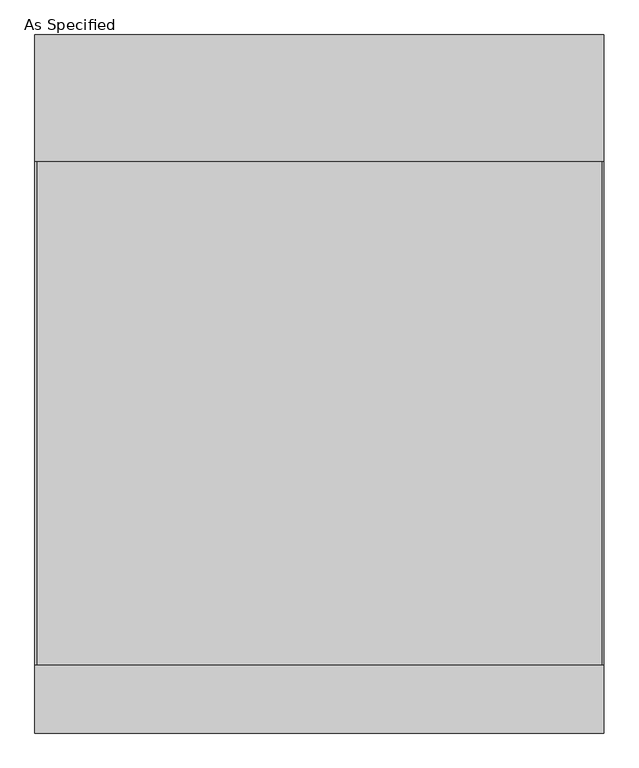
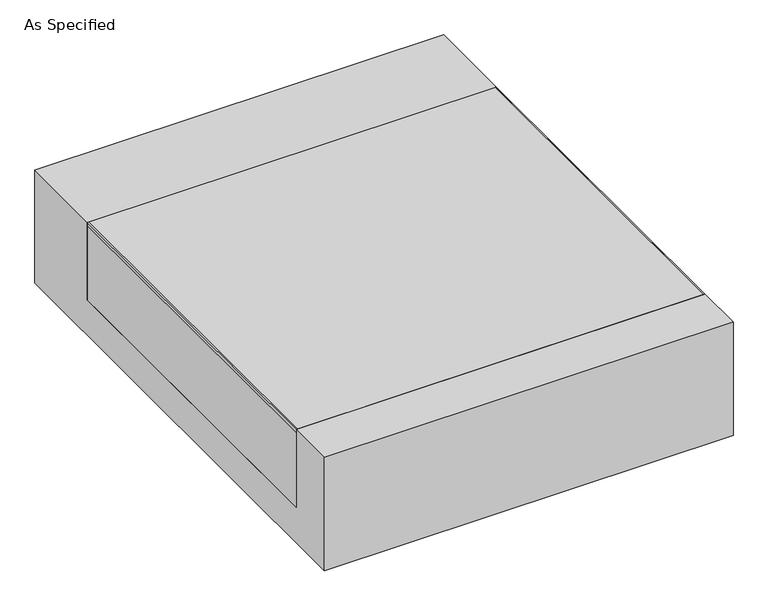
"""IFC4 building model written with IfcOpenShell, lengths in millimetres: proxy geometry, As Specified."""

from ifc_helpers import new_model, si_unit, point, frame, frame_2d, origin, place, context, project, spatial, polyline, circle_curve, trimmed, segment, composite_curve, outline, extrude, source, transform, mapped, element, save


def as_specified_cacf9c43(model_context):
    return source(origin(), model_context, "Body", "SweptSolid", [
        extrude(outline(composite_curve([segment(trimmed(circle_curve(frame_2d((542.0125, -1007.275)), 10.5), [point((542.0125, -1017.775))], [point((542.0125, -996.775))], False, "CARTESIAN"), True, "CONTINUOUS"), segment(trimmed(circle_curve(frame_2d((542.0125, -1007.275)), 10.5), [point((542.0125, -996.775))], [point((542.0125, -1017.775))], False, "CARTESIAN"), True, "CONTINUOUS")], self_intersect=False)), frame((0.0, 0.0, -562.225), z_axis=(0.0, 0.0, 1.0), x_axis=(1.0, 0.0, 0.0)), (0.0, 0.0, 1.0), 32.0),
        extrude(outline(polyline([(-856.45625, -850.9), (-862.0125, -850.9), (-862.0125, 673.1), (-856.45625, 673.1), (-856.45625, -850.9)])), frame((0.0, 0.0, -39.6875), z_axis=(0.0, 0.0, 1.0), x_axis=(1.0, 0.0, 0.0)), (0.0, 0.0, 1.0), 14.2875),
        extrude(outline(polyline([(858.04375, 673.1), (862.0125, 673.1), (862.0125, -850.9), (858.04375, -850.9), (858.04375, 673.1)])), frame((0.0, 0.0, -39.6875), z_axis=(0.0, 0.0, 1.0), x_axis=(1.0, 0.0, 0.0)), (0.0, 0.0, 1.0), 14.2875),
        extrude(outline(polyline([(862.0125, 673.1), (862.0125, -850.9), (-862.0125, -850.9), (-862.0125, 673.1), (862.0125, 673.1)])), frame((0.0, 0.0, -373.0625), z_axis=(0.0, 0.0, 1.0), x_axis=(1.0, 0.0, 0.0)), (0.0, 0.0, 1.0), 347.6625),
        extrude(outline(polyline([(1057.275, -25.4), (1057.275, -530.225), (-1057.275, -530.225), (-1057.275, -25.4), (-850.9, -25.4), (-850.9, -373.0625), (673.1, -373.0625), (673.1, -25.4), (1057.275, -25.4)])), frame((-862.0125, 0.0, 0.0), z_axis=(1.0, 0.0, 0.0), x_axis=(0.0, 1.0, 0.0)), (0.0, 0.0, 1.0), 1724.025),
    ])


if __name__ == "__main__":
    model = new_model("IFC4")
    model_context = context("Model", 3, world=origin())
    ifc_project = project(units=[si_unit("LENGTHUNIT", "METRE", prefix="MILLI")], contexts=[model_context])
    site = spatial("IfcSite", under=ifc_project)
    building = spatial("IfcBuilding", under=site)
    placement = place(None, origin())
    as_specified_shape = as_specified_cacf9c43(model_context)
    element("IfcBuildingElementProxy", 1, Name="As Specified", ObjectType="As Specified", at=placement, inside=building, context=model_context, shape_type="MappedRepresentation", body=[
        mapped(as_specified_shape, transform((0.0, 0.0, 0.0), x_axis=(1.0, 0.0, 0.0), y_axis=(0.0, 1.0, 0.0), z_axis=(0.0, 0.0, 1.0))),
    ])
    save(model, "model.ifc")
